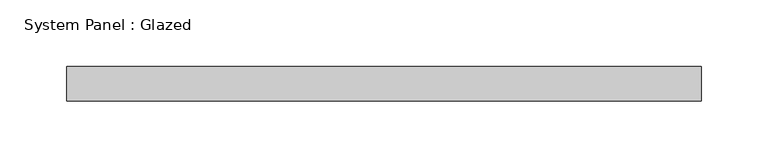
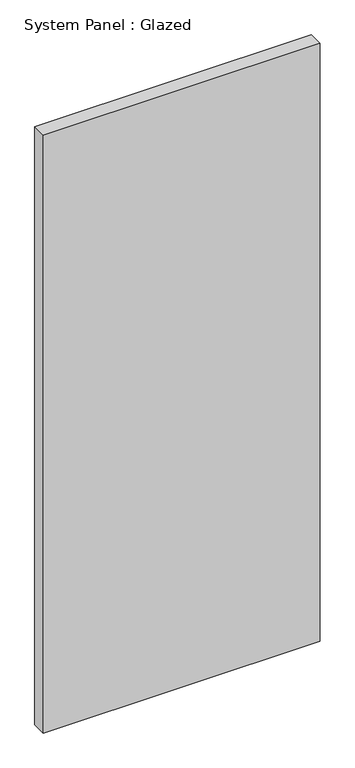
"""IFC4 building model written with IfcOpenShell, lengths in millimetres: plate geometry, System Panel : Glazed."""

from ifc_helpers import new_model, si_unit, origin, origin_with_axes, place, context, project, spatial, polyline, outline, extrude, source, transform, mapped, element, save


def system_panel_glazed_22d5007d(model_context):
    return source(origin(), model_context, "Body", "SweptSolid", [
        extrude(outline(polyline([(236.609531, -12.7), (-236.609531, -12.7), (-236.609531, 12.7), (236.609531, 12.7), (236.609531, -12.7)])), origin_with_axes(), (0.0, 0.0, 1.0), 1080.0),
    ])


if __name__ == "__main__":
    model = new_model("IFC4")
    model_context = context("Model", 3, world=origin())
    ifc_project = project(units=[si_unit("LENGTHUNIT", "METRE", prefix="MILLI")], contexts=[model_context])
    site = spatial("IfcSite", under=ifc_project)
    building = spatial("IfcBuilding", under=site)
    placement = place(None, origin())
    system_panel_glazed_shape = system_panel_glazed_22d5007d(model_context)
    element("IfcPlate", 1, ObjectType="System Panel : Glazed", at=placement, inside=building, context=model_context, shape_type="MappedRepresentation", body=[
        mapped(system_panel_glazed_shape, transform((0.0, 0.0, 0.0), x_axis=(1.0, 0.0, 0.0), y_axis=(0.0, 1.0, 0.0), z_axis=(0.0, 0.0, 1.0))),
    ])
    save(model, "model.ifc")
